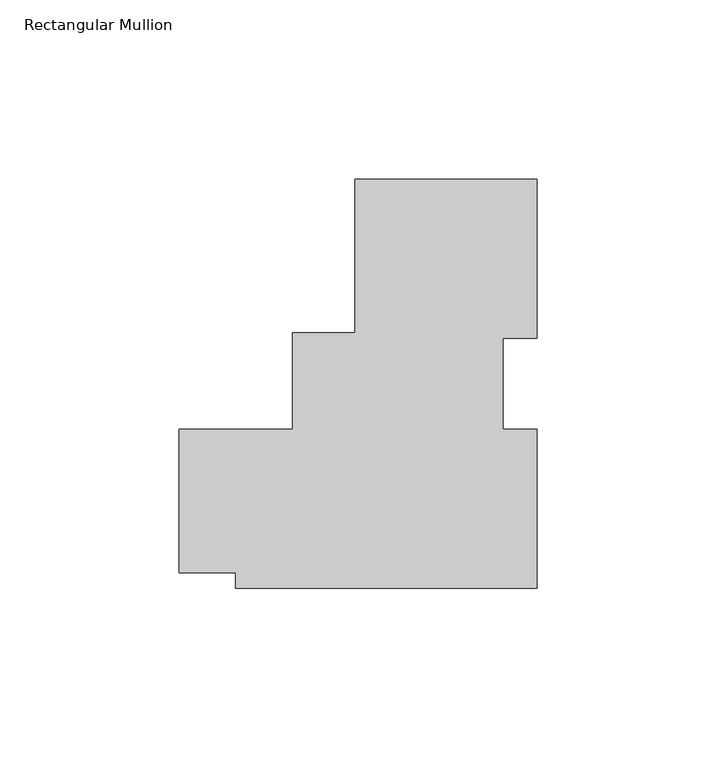
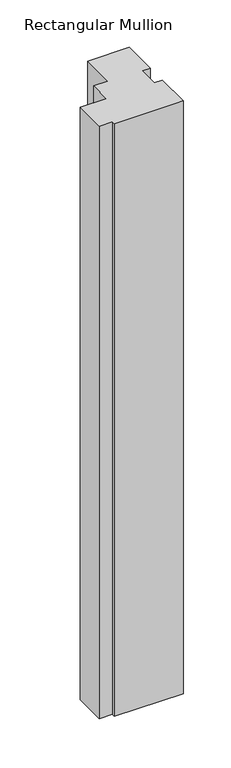
"""IFC4 building model written with IfcOpenShell, lengths in millimetres: member geometry, Rectangular Mullion."""

from ifc_helpers import new_model, si_unit, frame, origin, place, context, project, spatial, polyline, outline, extrude, source, transform, mapped, element, save


def rectangular_mullion_85206a68(model_context):
    return source(origin(), model_context, "Body", "SweptSolid", [
        extrude(outline(polyline([(-11.1234084, 49.8945969), (39.6765916, 49.8945969), (39.6765916, 5.49217), (30.1515916, 5.49217), (30.1515916, -19.9955283), (39.6765916, -19.9955283), (39.6765916, -64.4048737), (-44.4599878, -64.4048737), (-44.4599878, -59.9680017), (-60.3340783, -59.9680017), (-60.3359084, -19.9628961), (-28.5859084, -19.9628961), (-28.5859084, 7.0320969), (-11.1234084, 7.0320969), (-11.1234084, 49.8945969)])), frame((0.0, 0.0, -764.9541979), z_axis=(0.0, 0.0, 1.0), x_axis=(1.0, 0.0, 0.0)), (0.0, 0.0, 1.0), 764.9541979),
    ])


if __name__ == "__main__":
    model = new_model("IFC4")
    model_context = context("Model", 3, world=origin())
    ifc_project = project(units=[si_unit("LENGTHUNIT", "METRE", prefix="MILLI")], contexts=[model_context])
    site = spatial("IfcSite", under=ifc_project)
    building = spatial("IfcBuilding", under=site)
    placement = place(None, origin())
    rectangular_mullion_shape = rectangular_mullion_85206a68(model_context)
    element("IfcMember", 1, ObjectType="Rectangular Mullion", at=placement, inside=building, context=model_context, shape_type="MappedRepresentation", body=[
        mapped(rectangular_mullion_shape, transform((0.0, 0.0, 0.0), x_axis=(1.0, 0.0, 0.0), y_axis=(0.0, 1.0, 0.0), z_axis=(0.0, 0.0, 1.0))),
    ])
    save(model, "model.ifc")
